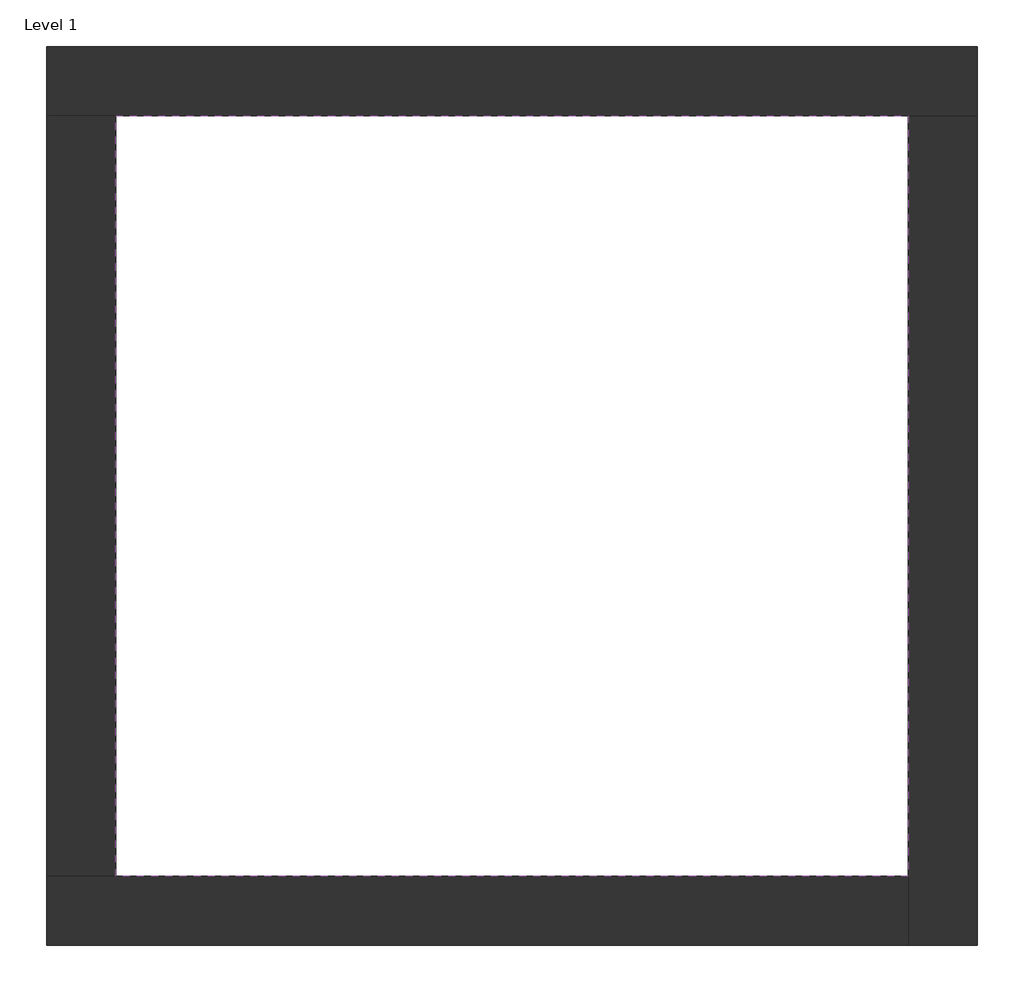
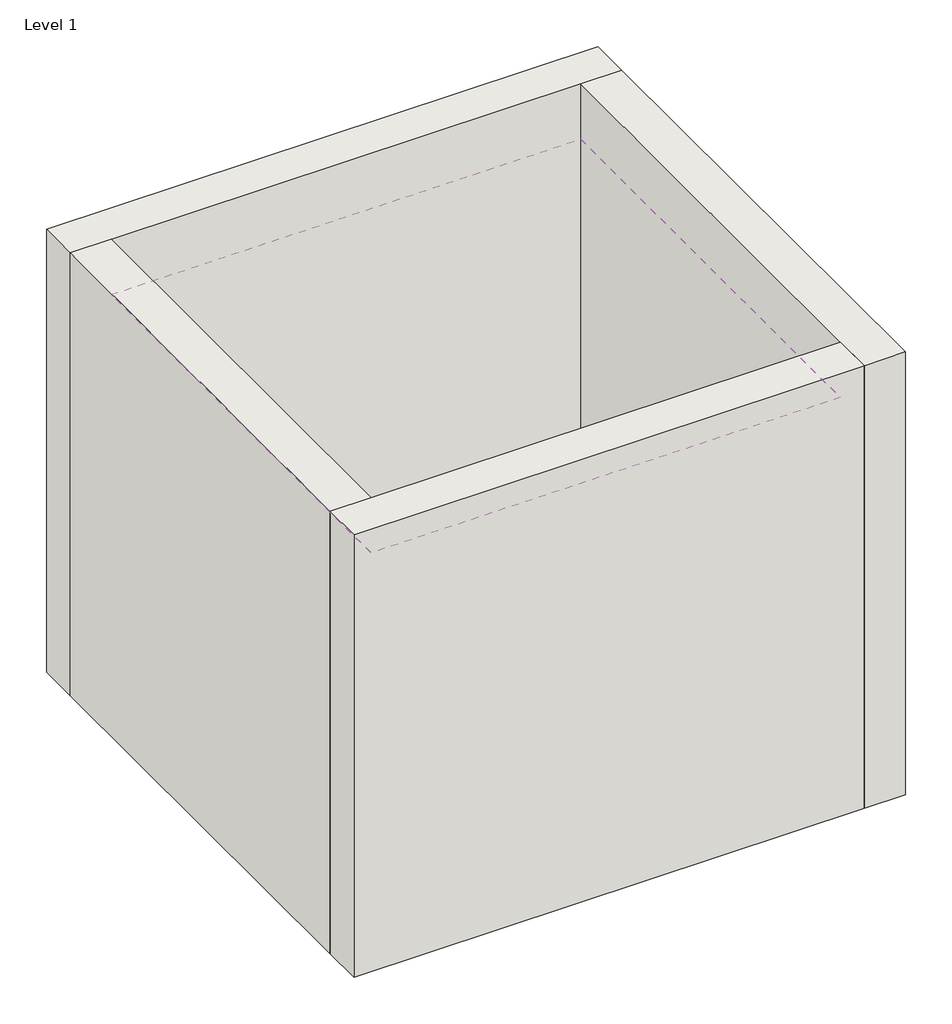
# One storey: 4 walls, 1 covering.
"""IFC4 building model written with IfcOpenShell, lengths in millimetres."""

from ifc_helpers import new_model, si_unit, frame, origin, origin_with_axes, place, context, project, spatial, polyline, outline, extrude, faceted_brep, element, save

model = new_model("IFC4")

# Units and contexts
model_context = context("Model", 3, world=origin())
ifc_project = project(units=[si_unit("LENGTHUNIT", "METRE", prefix="MILLI")], contexts=[model_context])

# Site, building, storey
site = spatial("IfcSite", under=ifc_project)
building = spatial("IfcBuilding", under=site)
storey = spatial("IfcBuildingStorey", under=building, Name="Level 1", Elevation=0.0)

# Covering
placement = place(None, origin())
element("IfcCovering", 1, ObjectType="CAP. 2 - SIR 05 - PLAFON", at=placement, inside=storey, context=model_context, shape_type="SweptSolid", body=[
    extrude(outline(polyline([(-14894.8573003, 6921.2750283), (-10882.3573003, 6921.2750283), (-10882.3573003, 3071.2750283), (-14894.8573003, 3071.2750283), (-14894.8573003, 6921.2750283)])), frame((0.0, 0.0, 3500.0), z_axis=(0.0, 0.0, 1.0), x_axis=(1.0, 0.0, 0.0)), (0.0, 0.0, 1.0), 17.0),
])

# Walls
element("IfcWall", 2, ObjectType="Exterior - Brick on Mtl. Stud", at=placement, inside=storey, context=model_context, shape_type="Brep", body=[
    faceted_brep([(-15244.8573003, 6921.2750283, 0.0), (-14894.8573003, 6921.2750283, 0.0), (-10882.3573003, 6921.2750283, 0.0), (-10532.3573003, 6921.2750283, 0.0), (-10532.3573003, 6921.2750283, 4000.0), (-10882.3573003, 6921.2750283, 4000.0), (-14894.8573003, 6921.2750283, 4000.0), (-15244.8573003, 6921.2750283, 4000.0), (-15244.8573003, 7271.2750283, 0.0), (-15244.8573003, 7271.2750283, 4000.0), (-10532.3573003, 7271.2750283, 4000.0), (-10532.3573003, 7271.2750283, 0.0)], [[[0, 1, 2, 3, 4, 5, 6, 7]], [[8, 9, 10, 11]], [[3, 2, 1, 0, 8, 11]], [[7, 6, 5, 4, 10, 9]], [[0, 7, 9, 8]], [[4, 3, 11, 10]]]),
])
element("IfcWall", 3, ObjectType="Exterior - Brick on Mtl. Stud", at=placement, inside=storey, context=model_context, shape_type="Brep", body=[
    faceted_brep([(-10882.3573003, 6921.2750283, 0.0), (-10882.3573003, 3071.2750283, 0.0), (-10882.3573003, 2721.2750283, 0.0), (-10882.3573003, 2721.2750283, 4000.0), (-10882.3573003, 3071.2750283, 4000.0), (-10882.3573003, 6921.2750283, 4000.0), (-10532.3573003, 6921.2750283, 0.0), (-10532.3573003, 6921.2750283, 4000.0), (-10532.3573003, 2721.2750283, 4000.0), (-10532.3573003, 2721.2750283, 0.0)], [[[0, 1, 2, 3, 4, 5]], [[6, 7, 8, 9]], [[2, 1, 0, 6, 9]], [[5, 4, 3, 8, 7]], [[3, 2, 9, 8]], [[0, 5, 7, 6]]]),
])
element("IfcWall", 4, ObjectType="Exterior - Brick on Mtl. Stud", at=placement, inside=storey, context=model_context, shape_type="Brep", body=[
    faceted_brep([(-10882.3573003, 3071.2750283, 0.0), (-14894.8573003, 3071.2750283, 0.0), (-15244.8573003, 3071.2750283, 0.0), (-15244.8573003, 3071.2750283, 4000.0), (-14894.8573003, 3071.2750283, 4000.0), (-10882.3573003, 3071.2750283, 4000.0), (-10882.3573003, 2721.2750283, 0.0), (-10882.3573003, 2721.2750283, 4000.0), (-15244.8573003, 2721.2750283, 4000.0), (-15244.8573003, 2721.2750283, 0.0)], [[[0, 1, 2, 3, 4, 5]], [[6, 7, 8, 9]], [[2, 1, 0, 6, 9]], [[5, 4, 3, 8, 7]], [[3, 2, 9, 8]], [[0, 5, 7, 6]]]),
])
element("IfcWall", 5, ObjectType="Exterior - Brick on Mtl. Stud", at=placement, inside=storey, context=model_context, shape_type="SweptSolid", body=[
    extrude(outline(polyline([(-14894.8573003, 6921.2750283), (-14894.8573003, 3071.2750283), (-15244.8573003, 3071.2750283), (-15244.8573003, 6921.2750283), (-14894.8573003, 6921.2750283)])), origin_with_axes(), (0.0, 0.0, 1.0), 4000.0),
])

save(model, "model.ifc")
